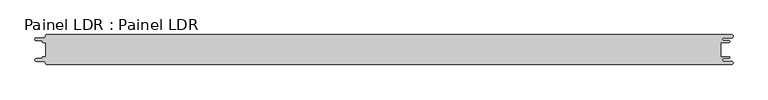
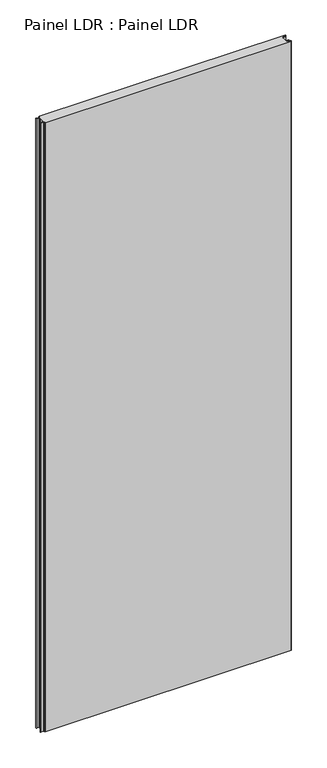
"""IFC4 building model written with IfcOpenShell, lengths in millimetres: proxy geometry, Painel LDR : Painel LDR."""

from ifc_helpers import new_model, si_unit, frame, origin, place, context, project, spatial, polyline, circle_curve, source, transform, mapped, element, save
from ifc_brep_helpers import plane_surface, cylinder_surface, revolved_surface, advanced_brep


def painel_ldr_painel_ldr_0ed841c9(model_context):
    return source(origin(), model_context, "Body", "AdvancedBrep", [
        advanced_brep(
        [(-579.5093748, 12.3, 3000.0), (-574.2218362, 12.3, 3000.0), (-574.2218362, -12.2999995, 3000.0), (-579.5093748, -12.2999995, 3000.0), (-580.1093753, -12.9, 3000.0), (-580.1093753, -13.7085185, 3000.0), (-581.5093753, -15.1085185, 3000.0), (-590.4875, -15.1085185, 3000.0), (-590.4875, -19.5085185, 3000.0), (-578.471875, -19.5085185, 3000.0), (-574.921875, -23.0585185, 3000.0), (-572.971875, -25.0, 3000.0), (572.284375, -25.0, 3000.0), (572.284375, -19.725, 3000.0), (559.378125, -19.725, 3000.0), (559.378125, -14.875, 3000.0), (568.0406253, -14.875, 3000.0), (568.0406253, -12.3, 3000.0), (554.1906253, -12.3, 3000.0), (554.1906253, 12.3, 3000.0), (568.0406253, 12.3, 3000.0), (568.0406253, 14.875, 3000.0), (559.378125, 14.875, 3000.0), (559.378125, 19.725, 3000.0), (572.284375, 19.725, 3000.0), (572.284375, 25.0, 3000.0), (-572.971875, 25.0, 3000.0), (-574.921875, 23.05, 3000.0), (-578.471875, 19.5085185, 3000.0), (-590.4875, 19.5085185, 3000.0), (-590.4875, 15.1085187, 3000.0), (-581.5093751, 15.1085187, 3000.0), (-580.1093748, 13.7085184, 3000.0), (-580.1093748, 12.9, 3000.0), (-579.5093748, 12.3, 0.0), (-580.1093748, 12.9, 0.0), (-580.1093748, 13.7085184, 0.0), (-581.5093751, 15.1085187, 0.0), (-590.4875, 15.1085187, 0.0), (-590.4875, 19.5085185, 0.0), (-578.471875, 19.5085185, 0.0), (-574.921875, 23.0585185, 0.0), (-572.971875, 25.0, 0.0), (572.284375, 25.0, 0.0), (572.284375, 19.725, 0.0), (559.378125, 19.725, 0.0), (559.378125, 14.875, 0.0), (568.0406253, 14.875, 0.0), (568.0406253, 12.3, 0.0), (554.1906253, 12.3, 0.0), (554.1906253, -12.3, 0.0), (568.0406253, -12.3, 0.0), (568.0406253, -14.875, 0.0), (559.378125, -14.875, 0.0), (559.378125, -19.725, 0.0), (572.284375, -19.725, 0.0), (572.284375, -25.0, 0.0), (-572.971875, -25.0, 0.0), (-574.921875, -23.05, 0.0), (-578.471875, -19.5085185, 0.0), (-590.4875, -19.5085185, 0.0), (-590.4875, -15.1085185, 0.0), (-581.5093753, -15.1085185, 0.0), (-580.1093753, -13.7085185, 0.0), (-580.1093753, -12.9, 0.0), (-579.5093748, -12.2999995, 0.0), (-574.2218362, -12.2999995, 0.0), (-574.2218362, 12.3, 0.0)],
        [
            (0, 1),
            (1, 2),
            (2, 3),
            (3, 4, circle_curve(frame((-579.5093748, -12.9, 3000.0), z_axis=(0.0, 0.0, 1.0), x_axis=(1.0, 0.0, 0.0)), 0.6000005)),
            (4, 5),
            (5, 6, circle_curve(frame((-581.5093753, -13.7085185, 3000.0), z_axis=(0.0, 0.0, -1.0), x_axis=(1.0, 0.0, 0.0)), 1.4)),
            (6, 7),
            (7, 8, circle_curve(frame((-590.4875, -17.3085185, 3000.0), z_axis=(0.0, 0.0, 1.0), x_axis=(1.0, 0.0, 0.0)), 2.2)),
            (8, 9),
            (9, 10, circle_curve(frame((-578.471875, -23.0585185, 3000.0), z_axis=(0.0, 0.0, -1.0), x_axis=(1.0, 0.0, 0.0)), 3.55)),
            (10, 11, circle_curve(frame((-572.971875, -23.05, 3000.0), z_axis=(0.0, 0.0, 1.0), x_axis=(1.0, 0.0, 0.0)), 1.95)),
            (11, 12),
            (12, 13, circle_curve(frame((572.284375, -22.3625, 3000.0), z_axis=(0.0, 0.0, 1.0), x_axis=(1.0, 0.0, 0.0)), 2.6375)),
            (13, 14),
            (14, 15, circle_curve(frame((559.378125, -17.3, 3000.0), z_axis=(0.0, 0.0, -1.0), x_axis=(1.0, 0.0, 0.0)), 2.425)),
            (15, 16),
            (16, 17, circle_curve(frame((568.0406253, -13.5875, 3000.0), z_axis=(0.0, 0.0, 1.0), x_axis=(1.0, 0.0, 0.0)), 1.2875)),
            (17, 18),
            (18, 19),
            (19, 20),
            (20, 21, circle_curve(frame((568.0406253, 13.5875, 3000.0), z_axis=(0.0, 0.0, 1.0), x_axis=(1.0, 0.0, 0.0)), 1.2875)),
            (21, 22),
            (22, 23, circle_curve(frame((559.378125, 17.3, 3000.0), z_axis=(0.0, 0.0, -1.0), x_axis=(1.0, 0.0, 0.0)), 2.425)),
            (23, 24),
            (24, 25, circle_curve(frame((572.284375, 22.3625, 3000.0), z_axis=(0.0, 0.0, 1.0), x_axis=(1.0, 0.0, 0.0)), 2.6375)),
            (25, 26),
            (26, 27, circle_curve(frame((-572.971875, 23.05, 3000.0), z_axis=(0.0, 0.0, 1.0), x_axis=(1.0, 0.0, 0.0)), 1.95)),
            (27, 28, circle_curve(frame((-578.471875, 23.0585185, 3000.0), z_axis=(0.0, 0.0, -1.0), x_axis=(1.0, 0.0, 0.0)), 3.55)),
            (28, 29),
            (29, 30, circle_curve(frame((-590.4875, 17.3085186, 3000.0), z_axis=(0.0, 0.0, 1.0), x_axis=(1.0, 0.0, 0.0)), 2.1999999)),
            (30, 31),
            (31, 32, circle_curve(frame((-581.5093751, 13.7085184, 3000.0), z_axis=(0.0, 0.0, -1.0), x_axis=(1.0, 0.0, 0.0)), 1.4000003)),
            (32, 33),
            (33, 0, circle_curve(frame((-579.5093748, 12.9, 3000.0), z_axis=(0.0, 0.0, 1.0), x_axis=(1.0, 0.0, 0.0)), 0.6)),
            (34, 35, circle_curve(frame((-579.5093748, 12.9, 0.0), z_axis=(0.0, 0.0, -1.0), x_axis=(1.0, 0.0, 0.0)), 0.6)),
            (35, 36),
            (36, 37, circle_curve(frame((-581.5093751, 13.7085184, 0.0), z_axis=(0.0, 0.0, 1.0), x_axis=(1.0, 0.0, 0.0)), 1.4000003)),
            (37, 38),
            (38, 39, circle_curve(frame((-590.4875, 17.3085186, 0.0), z_axis=(0.0, 0.0, -1.0), x_axis=(1.0, 0.0, 0.0)), 2.1999999)),
            (39, 40),
            (40, 41, circle_curve(frame((-578.471875, 23.0585185, 0.0), z_axis=(0.0, 0.0, 1.0), x_axis=(1.0, 0.0, 0.0)), 3.55)),
            (41, 42, circle_curve(frame((-572.971875, 23.05, 0.0), z_axis=(0.0, 0.0, -1.0), x_axis=(1.0, 0.0, 0.0)), 1.95)),
            (42, 43),
            (43, 44, circle_curve(frame((572.284375, 22.3625, 0.0), z_axis=(0.0, 0.0, -1.0), x_axis=(1.0, 0.0, 0.0)), 2.6375)),
            (44, 45),
            (45, 46, circle_curve(frame((559.378125, 17.3, 0.0), z_axis=(0.0, 0.0, 1.0), x_axis=(1.0, 0.0, 0.0)), 2.425)),
            (46, 47),
            (47, 48, circle_curve(frame((568.0406253, 13.5875, 0.0), z_axis=(0.0, 0.0, -1.0), x_axis=(1.0, 0.0, 0.0)), 1.2875)),
            (48, 49),
            (49, 50),
            (50, 51),
            (51, 52, circle_curve(frame((568.0406253, -13.5875, 0.0), z_axis=(0.0, 0.0, -1.0), x_axis=(1.0, 0.0, 0.0)), 1.2875)),
            (52, 53),
            (53, 54, circle_curve(frame((559.378125, -17.3, 0.0), z_axis=(0.0, 0.0, 1.0), x_axis=(1.0, 0.0, 0.0)), 2.425)),
            (54, 55),
            (55, 56, circle_curve(frame((572.284375, -22.3625, 0.0), z_axis=(0.0, 0.0, -1.0), x_axis=(1.0, 0.0, 0.0)), 2.6375)),
            (56, 57),
            (57, 58, circle_curve(frame((-572.971875, -23.05, 0.0), z_axis=(0.0, 0.0, -1.0), x_axis=(1.0, 0.0, 0.0)), 1.95)),
            (58, 59, circle_curve(frame((-578.471875, -23.0585185, 0.0), z_axis=(0.0, 0.0, 1.0), x_axis=(1.0, 0.0, 0.0)), 3.55)),
            (59, 60),
            (60, 61, circle_curve(frame((-590.4875, -17.3085185, 0.0), z_axis=(0.0, 0.0, -1.0), x_axis=(1.0, 0.0, 0.0)), 2.2)),
            (61, 62),
            (62, 63, circle_curve(frame((-581.5093753, -13.7085185, 0.0), z_axis=(0.0, 0.0, 1.0), x_axis=(1.0, 0.0, 0.0)), 1.4)),
            (63, 64),
            (64, 65, circle_curve(frame((-579.5093748, -12.9, 0.0), z_axis=(0.0, 0.0, -1.0), x_axis=(1.0, 0.0, 0.0)), 0.6000005)),
            (65, 66),
            (66, 67),
            (67, 34),
            (0, 34),
            (67, 1),
            (66, 2),
            (65, 3),
            (64, 4),
            (63, 5),
            (62, 6),
            (61, 7),
            (60, 8),
            (59, 9),
            (58, 10),
            (57, 11),
            (56, 12),
            (18, 50),
            (49, 19),
            (48, 20),
            (47, 21),
            (46, 22),
            (45, 23),
            (44, 24),
            (43, 25),
            (42, 26),
            (41, 27),
            (40, 28),
            (39, 29),
            (38, 30),
            (37, 31),
            (36, 32),
            (35, 33),
            (55, 13),
            (54, 14),
            (53, 15),
            (52, 16),
            (51, 17),
        ],
        [
            plane_surface(frame((-574.2218362, 12.3, 3000.0), z_axis=(0.0, 0.0, 1.0), x_axis=(1.0, 0.0, 0.0))),
            plane_surface(frame((-574.2218362, 12.3, 0.0), z_axis=(0.0, 0.0, -1.0), x_axis=(-1.0, 0.0, 0.0))),
            plane_surface(frame((-579.5093748, 12.3, 3000.0), z_axis=(0.0, -1.0, 0.0), x_axis=(0.0, 0.0, -1.0))),
            plane_surface(frame((-574.2218362, 12.3, 3000.0), z_axis=(-1.0, 0.0, 0.0), x_axis=(0.0, 0.0, -1.0))),
            plane_surface(frame((-574.2218362, -12.2999995, 3000.0), z_axis=(0.0, 1.0, 0.0), x_axis=(0.0, 0.0, -1.0))),
            cylinder_surface(frame((-579.5093748, -12.9, 0.0), z_axis=(0.0, 0.0, 1.0), x_axis=(1.0, 0.0, 0.0)), 0.6000005),
            plane_surface(frame((-580.1093753, -12.9, 3000.0), z_axis=(-1.0, 1.757860866232943e-12, 0.0), x_axis=(0.0, 0.0, -1.0))),
            revolved_surface(polyline([(-580.1093753, -13.7085185, 0.0), (-580.1093753, -13.7085185, 3000.0)]), (-581.5093753, -13.7085185, 0.0), (0.0, 0.0, -1.0)),
            plane_surface(frame((-581.5093753, -15.1085185, 3000.0), z_axis=(0.0, 1.0, 0.0), x_axis=(0.0, 0.0, -1.0))),
            cylinder_surface(frame((-590.4875, -17.3085185, 0.0), z_axis=(0.0, 0.0, 1.0), x_axis=(1.0, 0.0, 0.0)), 2.2),
            plane_surface(frame((-590.4875, -19.5085185, 3000.0), z_axis=(0.0, -1.0, 0.0), x_axis=(0.0, 0.0, -1.0))),
            revolved_surface(polyline([(-574.921875, -23.0585185, 0.0), (-574.921875, -23.0585185, 3000.0)]), (-578.471875, -23.0585185, 0.0), (0.0, 0.0, -1.0)),
            cylinder_surface(frame((-572.971875, -23.05, 0.0), z_axis=(0.0, 0.0, 1.0), x_axis=(1.0, 0.0, 0.0)), 1.95),
            plane_surface(frame((-572.971875, -25.0, 3000.0), z_axis=(0.0, -1.0, 0.0), x_axis=(0.0, 0.0, -1.0))),
            plane_surface(frame((554.1906253, -12.3, 3000.0), z_axis=(1.0, 0.0, 0.0), x_axis=(0.0, 0.0, -1.0))),
            plane_surface(frame((554.1906253, 12.3, 3000.0), z_axis=(0.0, -1.0, 0.0), x_axis=(0.0, 0.0, -1.0))),
            cylinder_surface(frame((568.0406253, 13.5875, 0.0), z_axis=(0.0, 0.0, 1.0), x_axis=(1.0, 0.0, 0.0)), 1.2875),
            plane_surface(frame((568.0406253, 14.875, 3000.0), z_axis=(0.0, 1.0, 0.0), x_axis=(0.0, 0.0, -1.0))),
            revolved_surface(polyline([(561.8031249999999, 17.3, 0.0), (561.8031249999999, 17.3, 3000.0)]), (559.378125, 17.3, 0.0), (0.0, 0.0, -1.0)),
            plane_surface(frame((559.378125, 19.725, 3000.0), z_axis=(0.0, -1.0, 0.0), x_axis=(0.0, 0.0, -1.0))),
            cylinder_surface(frame((572.284375, 22.3625, 0.0), z_axis=(0.0, 0.0, 1.0), x_axis=(1.0, 0.0, 0.0)), 2.6375),
            plane_surface(frame((572.284375, 25.0, 3000.0), z_axis=(0.0, 1.0, 0.0), x_axis=(0.0, 0.0, -1.0))),
            cylinder_surface(frame((-572.971875, 23.05, 0.0), z_axis=(0.0, 0.0, 1.0), x_axis=(1.0, 0.0, 0.0)), 1.95),
            revolved_surface(polyline([(-574.921875, 23.0585185, 0.0), (-574.921875, 23.0585185, 3000.0)]), (-578.471875, 23.0585185, 0.0), (0.0, 0.0, -1.0)),
            plane_surface(frame((-578.471875, 19.5085185, 3000.0), z_axis=(0.0, 1.0, 0.0), x_axis=(0.0, 0.0, -1.0))),
            cylinder_surface(frame((-590.4875, 17.3085186, 0.0), z_axis=(0.0, 0.0, 1.0), x_axis=(1.0, 0.0, 0.0)), 2.1999999),
            plane_surface(frame((-590.4875, 15.1085187, 3000.0), z_axis=(0.0, -1.0, 0.0), x_axis=(0.0, 0.0, -1.0))),
            revolved_surface(polyline([(-580.1093748000001, 13.7085184, 0.0), (-580.1093748000001, 13.7085184, 3000.0)]), (-581.5093751, 13.7085184, 0.0), (0.0, 0.0, -1.0)),
            plane_surface(frame((-580.1093748, 13.7085184, 3000.0), z_axis=(-1.0, 0.0, 0.0), x_axis=(0.0, 0.0, -1.0))),
            cylinder_surface(frame((-579.5093748, 12.9, 0.0), z_axis=(0.0, 0.0, 1.0), x_axis=(1.0, 0.0, 0.0)), 0.6),
            cylinder_surface(frame((572.284375, -22.3625, 0.0), z_axis=(0.0, 0.0, 1.0), x_axis=(1.0, 0.0, 0.0)), 2.6375),
            plane_surface(frame((572.284375, -19.725, 3000.0), z_axis=(0.0, 1.0, 0.0), x_axis=(0.0, 0.0, -1.0))),
            revolved_surface(polyline([(561.8031249999999, -17.3, 0.0), (561.8031249999999, -17.3, 3000.0)]), (559.378125, -17.3, 0.0), (0.0, 0.0, -1.0)),
            plane_surface(frame((559.378125, -14.875, 3000.0), z_axis=(0.0, -1.0, 0.0), x_axis=(0.0, 0.0, -1.0))),
            cylinder_surface(frame((568.0406253, -13.5875, 0.0), z_axis=(0.0, 0.0, 1.0), x_axis=(1.0, 0.0, 0.0)), 1.2875),
            plane_surface(frame((568.0406253, -12.3, 3000.0), z_axis=(0.0, 1.0, 0.0), x_axis=(0.0, 0.0, -1.0))),
        ],
        [
            (0, [[1, 2, 3, 4, 5, 6, 7, 8, 9, 10, 11, 12, 13, 14, 15, 16, 17, 18, 19, 20, 21, 22, 23, 24, 25, 26, 27, 28, 29, 30, 31, 32, 33, 34]]),
            (1, [[35, 36, 37, 38, 39, 40, 41, 42, 43, 44, 45, 46, 47, 48, 49, 50, 51, 52, 53, 54, 55, 56, 57, 58, 59, 60, 61, 62, 63, 64, 65, 66, 67, 68]]),
            (2, [[-1, 69, -68, 70]]),
            (3, [[-2, -70, -67, 71]]),
            (4, [[-3, -71, -66, 72]]),
            (5, [[-4, -72, -65, 73]]),
            (6, [[-5, -73, -64, 74]]),
            (7, [[-6, -74, -63, 75]]),
            (8, [[-7, -75, -62, 76]]),
            (9, [[-8, -76, -61, 77]]),
            (10, [[-9, -77, -60, 78]]),
            (11, [[-10, -78, -59, 79]]),
            (12, [[-11, -79, -58, 80]]),
            (13, [[-12, -80, -57, 81]]),
            (14, [[-19, 82, -50, 83]]),
            (15, [[-20, -83, -49, 84]]),
            (16, [[-21, -84, -48, 85]]),
            (17, [[-22, -85, -47, 86]]),
            (18, [[-23, -86, -46, 87]]),
            (19, [[-24, -87, -45, 88]]),
            (20, [[-25, -88, -44, 89]]),
            (21, [[-26, -89, -43, 90]]),
            (22, [[-27, -90, -42, 91]]),
            (23, [[-28, -91, -41, 92]]),
            (24, [[-29, -92, -40, 93]]),
            (25, [[-30, -93, -39, 94]]),
            (26, [[-31, -94, -38, 95]]),
            (27, [[-32, -95, -37, 96]]),
            (28, [[-33, -96, -36, 97]]),
            (29, [[-34, -97, -35, -69]]),
            (30, [[-13, -81, -56, 98]]),
            (31, [[-14, -98, -55, 99]]),
            (32, [[-15, -99, -54, 100]]),
            (33, [[-16, -100, -53, 101]]),
            (34, [[-17, -101, -52, 102]]),
            (35, [[-18, -102, -51, -82]]),
        ],
    ),
    ])


if __name__ == "__main__":
    model = new_model("IFC4")
    model_context = context("Model", 3, world=origin())
    ifc_project = project(units=[si_unit("LENGTHUNIT", "METRE", prefix="MILLI")], contexts=[model_context])
    site = spatial("IfcSite", under=ifc_project)
    building = spatial("IfcBuilding", under=site)
    placement = place(None, origin())
    painel_ldr_painel_ldr_shape = painel_ldr_painel_ldr_0ed841c9(model_context)
    element("IfcBuildingElementProxy", 1, Name="Painel LDR : Painel LDR", ObjectType="Painel LDR : Painel LDR", at=placement, inside=building, context=model_context, shape_type="MappedRepresentation", body=[
        mapped(painel_ldr_painel_ldr_shape, transform((0.0, 0.0, 0.0), x_axis=(1.0, 0.0, 0.0), y_axis=(0.0, 1.0, 0.0), z_axis=(0.0, 0.0, 1.0))),
    ])
    save(model, "model.ifc")
